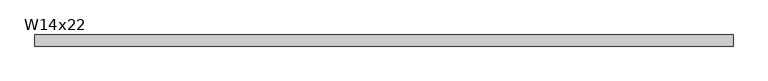
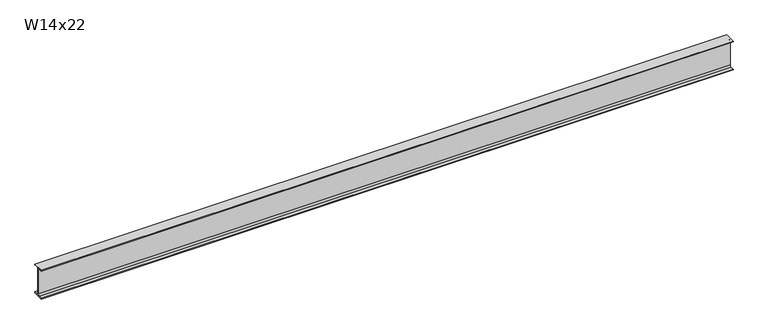
"""IFC4 building model written with IfcOpenShell, lengths in millimetres: beam geometry, W14x22."""

from ifc_helpers import new_model, si_unit, point, frame, frame_2d, origin, place, context, project, spatial, polyline, circle_curve, trimmed, segment, composite_curve, outline, extrude, source, transform, mapped, element, save


def w14x22_75303212(model_context):
    return source(origin(), model_context, "Body", "SweptSolid", [
        extrude(outline(composite_curve([segment(polyline([(63.5, -165.481), (63.5, -173.99), (-63.5, -173.99), (-63.5, -165.481), (-21.3995, -165.481)]), True, "CONTINUOUS"), segment(trimmed(circle_curve(frame_2d((-21.3995, -147.0025)), 18.4785), [point((-21.3995, -165.481))], [point((-2.921, -147.0025))], True, "CARTESIAN"), True, "CONTINUOUS"), segment(polyline([(-2.921, -147.0025), (-2.921, 147.0025)]), True, "CONTINUOUS"), segment(trimmed(circle_curve(frame_2d((-21.3995, 147.0025)), 18.4785), [point((-2.921, 147.0025))], [point((-21.3995, 165.481))], True, "CARTESIAN"), True, "CONTINUOUS"), segment(polyline([(-21.3995, 165.481), (-63.5, 165.481), (-63.5, 173.99), (63.5, 173.99), (63.5, 165.481), (21.3995, 165.481)]), True, "CONTINUOUS"), segment(trimmed(circle_curve(frame_2d((21.3995, 147.0025)), 18.4785), [point((21.3995, 165.481))], [point((2.921, 147.0025))], True, "CARTESIAN"), True, "CONTINUOUS"), segment(polyline([(2.921, 147.0025), (2.921, -147.0025)]), True, "CONTINUOUS"), segment(trimmed(circle_curve(frame_2d((21.3995, -147.0025)), 18.4785), [point((2.921, -147.0025))], [point((21.3995, -165.481))], True, "CARTESIAN"), True, "CONTINUOUS"), segment(polyline([(21.3995, -165.481), (63.5, -165.481)]), True, "CONTINUOUS")], self_intersect=False)), frame((-3932.6682727, 0.0, 0.0), z_axis=(1.0, 0.0, 0.0), x_axis=(0.0, 1.0, 0.0)), (0.0, 0.0, 1.0), 7944.5258552),
    ])


if __name__ == "__main__":
    model = new_model("IFC4")
    model_context = context("Model", 3, world=origin())
    ifc_project = project(units=[si_unit("LENGTHUNIT", "METRE", prefix="MILLI")], contexts=[model_context])
    site = spatial("IfcSite", under=ifc_project)
    building = spatial("IfcBuilding", under=site)
    placement = place(None, origin())
    w14x22_shape = w14x22_75303212(model_context)
    element("IfcBeam", 1, ObjectType="W14x22", at=placement, inside=building, context=model_context, shape_type="MappedRepresentation", body=[
        mapped(w14x22_shape, transform((0.0, 0.0, 0.0), x_axis=(1.0, 0.0, 0.0), y_axis=(0.0, 1.0, 0.0), z_axis=(0.0, 0.0, 1.0))),
    ])
    save(model, "model.ifc")
